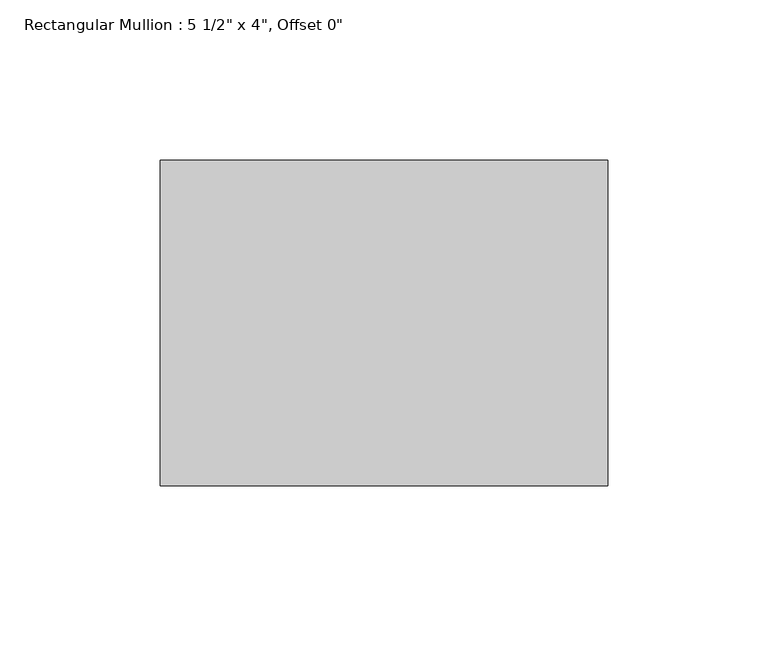
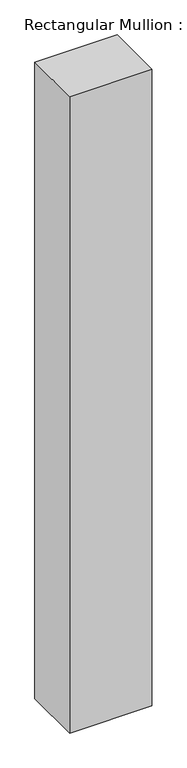
"""IFC4 building model written with IfcOpenShell, lengths in millimetres: member geometry."""

from ifc_helpers import new_model, si_unit, frame, origin, place, context, project, spatial, polyline, outline, extrude, source, transform, mapped, element, save


def member_02c01d6e(model_context):
    return source(origin(), model_context, "Body", "SweptSolid", [
        extrude(outline(polyline([(69.85, 50.8), (69.85, -50.8), (-69.85, -50.8), (-69.85, 50.8), (69.85, 50.8)])), frame((0.0, 0.0, -1140.8833333), z_axis=(0.0, 0.0, 1.0), x_axis=(1.0, 0.0, 0.0)), (0.0, 0.0, 1.0), 1140.8833333),
    ])


if __name__ == "__main__":
    model = new_model("IFC4")
    model_context = context("Model", 3, world=origin())
    ifc_project = project(units=[si_unit("LENGTHUNIT", "METRE", prefix="MILLI")], contexts=[model_context])
    site = spatial("IfcSite", under=ifc_project)
    building = spatial("IfcBuilding", under=site)
    placement = place(None, origin())
    member_shape = member_02c01d6e(model_context)
    element("IfcMember", 1, ObjectType="Rectangular Mullion : 5 1/2\" x 4\", Offset 0\"", at=placement, inside=building, context=model_context, shape_type="MappedRepresentation", body=[
        mapped(member_shape, transform((0.0, 0.0, 0.0), x_axis=(1.0, 0.0, 0.0), y_axis=(0.0, 1.0, 0.0), z_axis=(0.0, 0.0, 1.0))),
    ])
    save(model, "model.ifc")
